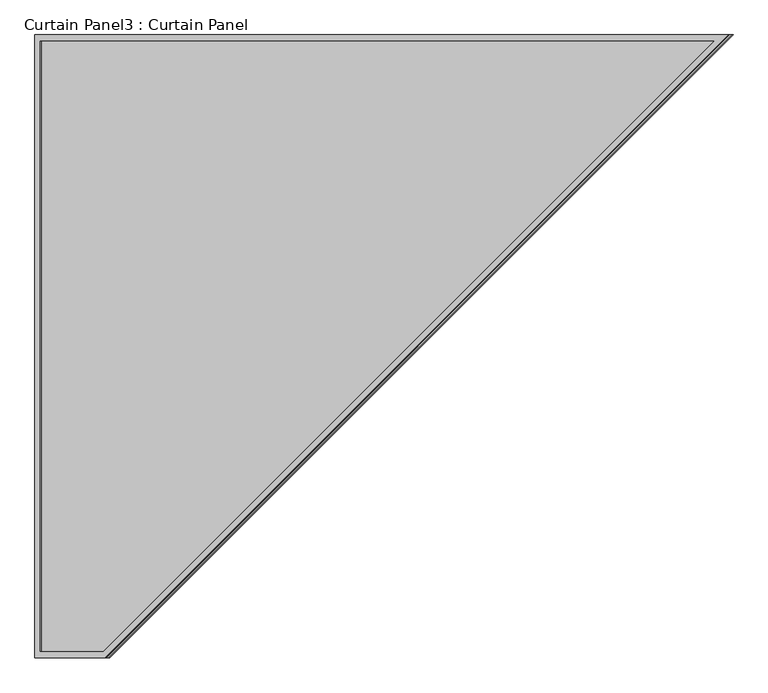
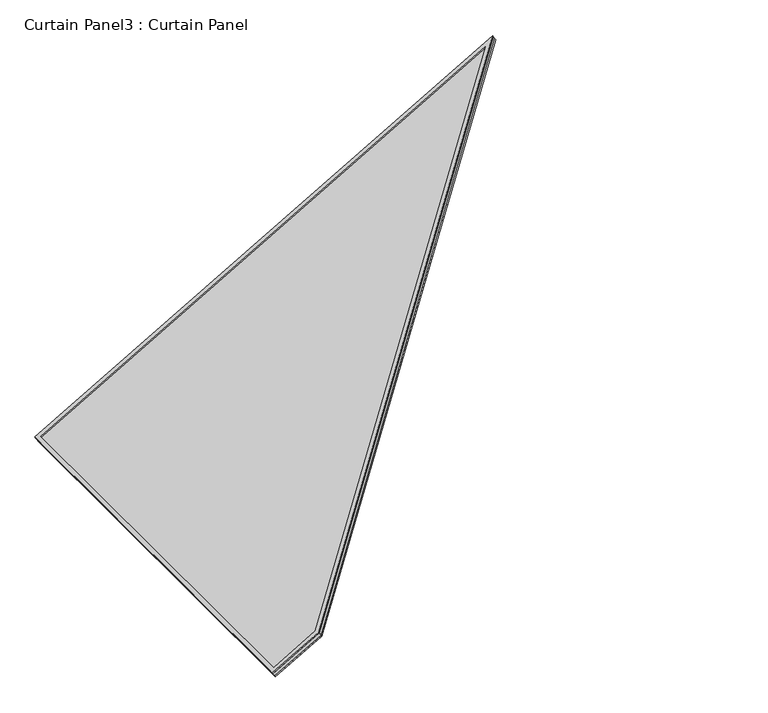
"""IFC4 building model written with IfcOpenShell, lengths in millimetres: plate geometry, Curtain Panel3 : Curtain Panel."""

from ifc_helpers import new_model, si_unit, frame, origin, place, context, project, spatial, polyline, outline, extrude, source, transform, mapped, element, save


def curtain_panel3_curtain_panel_4600c760(model_context):
    return source(origin(), model_context, "Body", "SweptSolid", [
        extrude(outline(polyline([(1948.2793068, -15.8877), (-42.6143983, -15.8877), (1746.4786158, 1533.5123), (1948.2793068, 1533.5123), (1948.2793068, -15.8877)]), holes=[polyline([(1932.3916068, 1517.6246), (1752.4019427, 1517.6246), (0.0, 0.0), (1932.3916068, 0.0), (1932.3916068, 1517.6246)])]), frame((4199.7224496, -11316.5087436, 2666.0725314), z_axis=(-0.49999999999999944, 0.0, 0.866025403784439), x_axis=(-0.866025403784439, 0.0, -0.49999999999999944)), (0.0, 0.0, 1.0), 4.0739219),
        extrude(outline(polyline([(1961.053407, -11.1252), (-29.8402982, -11.1252), (1759.252716, 1538.2748), (1961.053407, 1538.2748), (1961.053407, -11.1252)]), holes=[polyline([(1949.928207, 1527.1496), (1763.4004653, 1527.1496), (0.0, 0.0), (1949.928207, 0.0), (1949.928207, 1527.1496)])]), frame((4219.9876839, -11311.7462436, 2656.5203163), z_axis=(-0.4999999999999993, 0.0, 0.8660254037844392), x_axis=(-0.8660254037844392, 0.0, -0.4999999999999993)), (0.0, 0.0, 1.0), 4.8121094),
        extrude(outline(polyline([(12.7, 0.0), (1562.1, 0.0), (1562.1, -1990.8937052), (12.7, -201.800691), (12.7, 0.0)])), frame((2519.2595606, -12862.7210436, 1680.1610217), z_axis=(-0.49999999999999944, 0.0, 0.866025403784439), x_axis=(0.0, 1.0, 0.0)), (0.0, 0.0, 1.0), 13.5929688),
    ])


if __name__ == "__main__":
    model = new_model("IFC4")
    model_context = context("Model", 3, world=origin())
    ifc_project = project(units=[si_unit("LENGTHUNIT", "METRE", prefix="MILLI")], contexts=[model_context])
    site = spatial("IfcSite", under=ifc_project)
    building = spatial("IfcBuilding", under=site)
    placement = place(None, origin())
    curtain_panel3_curtain_panel_shape = curtain_panel3_curtain_panel_4600c760(model_context)
    element("IfcPlate", 1, ObjectType="Curtain Panel3 : Curtain Panel", at=placement, inside=building, context=model_context, shape_type="MappedRepresentation", body=[
        mapped(curtain_panel3_curtain_panel_shape, transform((0.0, 0.0, 0.0), x_axis=(1.0, 0.0, 0.0), y_axis=(0.0, 1.0, 0.0), z_axis=(0.0, 0.0, 1.0))),
    ])
    save(model, "model.ifc")
